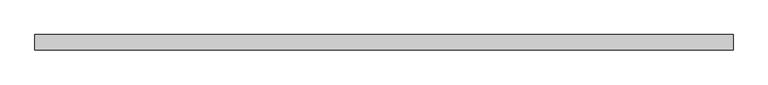
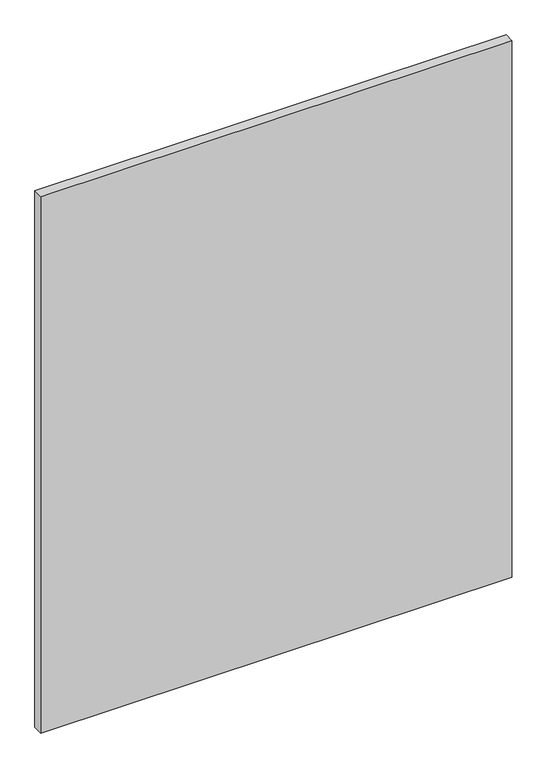
"""IFC4 building model written with IfcOpenShell, lengths in millimetres: plate geometry."""

from ifc_helpers import new_model, si_unit, origin, origin_with_axes, place, context, project, spatial, polyline, outline, extrude, source, transform, mapped, element, save


def plate_6e3e4add(model_context):
    return source(origin(), model_context, "Body", "SweptSolid", [
        extrude(outline(polyline([(731.8331619, -15.875), (-731.8331619, -15.875), (-731.8331619, 15.875), (731.8331619, 15.875), (731.8331619, -15.875)])), origin_with_axes(), (0.0, 0.0, 1.0), 1761.2320313),
    ])


if __name__ == "__main__":
    model = new_model("IFC4")
    model_context = context("Model", 3, world=origin())
    ifc_project = project(units=[si_unit("LENGTHUNIT", "METRE", prefix="MILLI")], contexts=[model_context])
    site = spatial("IfcSite", under=ifc_project)
    building = spatial("IfcBuilding", under=site)
    placement = place(None, origin())
    plate_shape = plate_6e3e4add(model_context)
    element("IfcPlate", 1, at=placement, inside=building, context=model_context, shape_type="MappedRepresentation", body=[
        mapped(plate_shape, transform((0.0, 0.0, 0.0), x_axis=(1.0, 0.0, 0.0), y_axis=(0.0, 1.0, 0.0), z_axis=(0.0, 0.0, 1.0))),
    ])
    save(model, "model.ifc")
